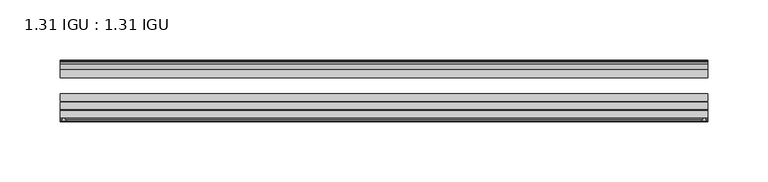
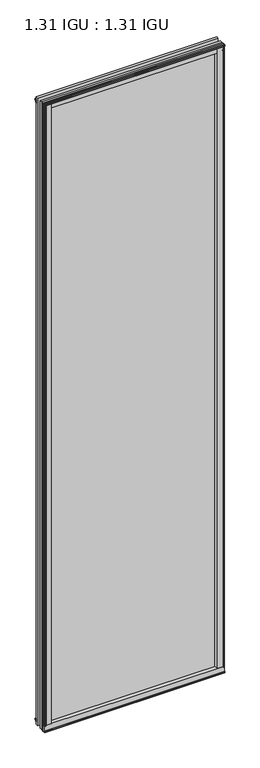
"""IFC4 building model written with IfcOpenShell, lengths in millimetres: plate geometry, 1.31 IGU : 1.31 IGU."""

import ifcopenshell
import ifcopenshell.guid

model = None  # the IFC model being written
_history = None  # IfcOwnerHistory: only IFC2X3 demands one
_inside = {}  # id of a spatial element -> (the spatial element, [elements in it])
_under = {}  # id of a project, library or spatial element -> (it, [spatial elements below it])
_declared = {}  # id of a project -> (the project, [libraries it declares])
_typed = {}  # id of a type object -> (the type object, [elements of that type])
_made_of = {}  # id of a material, layer set ... -> (it, [elements and type objects made of it])


def new_model(schema):
    """Start an empty IFC model of exactly this schema.

    Asked for "IFC4X3", IfcOpenShell would pick the latest addendum, in which some entities
    have other attributes; the version numbers below select the first issue.
    IFC2X3 requires an IfcOwnerHistory on every rooted entity: one is made here for all.
    """
    global model, _history
    if schema == "IFC4X3":
        model = ifcopenshell.file(schema_version=(4, 3, 0, 0))
    else:
        model = ifcopenshell.file(schema=schema)
    _inside.clear()
    _under.clear()
    _declared.clear()
    _typed.clear()
    _made_of.clear()
    _history = None
    if model.schema == "IFC2X3":
        org = make("IfcOrganization", Name="unknown")
        user = make(
            "IfcPersonAndOrganization",
            ThePerson=make("IfcPerson", FamilyName="unknown"),
            TheOrganization=org,
        )
        app = make(
            "IfcApplication",
            ApplicationDeveloper=org,
            Version="unknown",
            ApplicationFullName="unknown",
            ApplicationIdentifier="unknown",
        )
        _history = make(
            "IfcOwnerHistory",
            OwningUser=user,
            OwningApplication=app,
            ChangeAction="ADDED",
            CreationDate=0,
        )
    return model


def make(cls, **values):
    """One entity of the class cls with the attributes given. An attribute that is None is left unset."""
    return model.create_entity(
        cls, **{name: value for name, value in values.items() if value is not None}
    )


def rooted(cls, **values):
    """An entity with a GlobalId (a new one), such as an element, a storey or a relation."""
    return make(cls, GlobalId=ifcopenshell.guid.new(), OwnerHistory=_history, **values)


def si_unit(unit_type, name, prefix=None):
    """IfcSIUnit, for example si_unit("LENGTHUNIT", "METRE", prefix="MILLI")."""
    return make("IfcSIUnit", UnitType=unit_type, Prefix=prefix, Name=name)


def assignment(units):
    """IfcUnitAssignment: the units of a project."""
    return None if units is None else make("IfcUnitAssignment", Units=units)


def point(xyz):
    """IfcCartesianPoint."""
    return None if xyz is None else make("IfcCartesianPoint", Coordinates=xyz)


def direction(xyz):
    """IfcDirection."""
    return None if xyz is None else make("IfcDirection", DirectionRatios=xyz)


def frame(location, z_axis=None, x_axis=None):
    """IfcAxis2Placement3D, a coordinate frame: its origin and axes. An axis left out is left unset."""
    return make(
        "IfcAxis2Placement3D",
        Location=point(location),
        Axis=direction(z_axis),
        RefDirection=direction(x_axis),
    )


def frame_2d(location, x_axis=None):
    """IfcAxis2Placement2D, a coordinate frame in the plane: its origin and x axis."""
    return make(
        "IfcAxis2Placement2D", Location=point(location), RefDirection=direction(x_axis)
    )


def origin():
    """The frame at (0, 0, 0) with its axes left unset."""
    return frame((0.0, 0.0, 0.0))


def origin_with_axes():
    """The frame at (0, 0, 0) with the z axis (0, 0, 1) and the x axis (1, 0, 0) written out."""
    return frame((0.0, 0.0, 0.0), z_axis=(0.0, 0.0, 1.0), x_axis=(1.0, 0.0, 0.0))


def place(relative_to, where):
    """IfcLocalPlacement: puts the frame where relative to a parent placement (None: the world)."""
    return make(
        "IfcLocalPlacement", PlacementRelTo=relative_to, RelativePlacement=where
    )


def context(
    kind, dimensions, precision=None, world=None, true_north=None, identifier=None
):
    """IfcGeometricRepresentationContext, for example the 3D "Model" context."""
    return make(
        "IfcGeometricRepresentationContext",
        ContextIdentifier=identifier,
        ContextType=kind,
        CoordinateSpaceDimension=dimensions,
        Precision=precision,
        WorldCoordinateSystem=world,
        TrueNorth=true_north,
    )


def project(units=None, contexts=None):
    """IfcProject with its units and contexts."""
    return rooted(
        "IfcProject",
        Name="project",
        RepresentationContexts=contexts,
        UnitsInContext=assignment(units),
    )


def spatial(cls, under=None, at=None, **own):
    """A site, building, storey or space (cls), placed at a placement, below another one or the project."""
    s = rooted(cls, ObjectPlacement=at, **own)
    if under is not None:
        _under.setdefault(under.id(), (under, []))[1].append(s)
    return s


def polyline(points):
    """IfcPolyline through the points."""
    return make("IfcPolyline", Points=[point(p) for p in points])


def circle_curve(where, radius):
    """IfcCircle in the frame where."""
    return make("IfcCircle", Position=where, Radius=radius)


def trimmed(basis, trim1, trim2, sense, master):
    """IfcTrimmedCurve: the piece of a basis curve between two trims."""
    return make(
        "IfcTrimmedCurve",
        BasisCurve=basis,
        Trim1=trim1,
        Trim2=trim2,
        SenseAgreement=sense,
        MasterRepresentation=master,
    )


def segment(curve, same_sense, transition):
    """IfcCompositeCurveSegment."""
    return make(
        "IfcCompositeCurveSegment",
        Transition=transition,
        SameSense=same_sense,
        ParentCurve=curve,
    )


def composite_curve(segments, self_intersect=None):
    """IfcCompositeCurve: segments joined end to end."""
    return make("IfcCompositeCurve", Segments=segments, SelfIntersect=self_intersect)


def outline(outer, holes=None, kind="AREA"):
    """IfcArbitraryClosedProfileDef: a profile drawn as a closed curve; with holes, ...WithVoids."""
    if holes is None:
        return make("IfcArbitraryClosedProfileDef", ProfileType=kind, OuterCurve=outer)
    return make(
        "IfcArbitraryProfileDefWithVoids",
        ProfileType=kind,
        OuterCurve=outer,
        InnerCurves=holes,
    )


def extrude(swept, where, along, depth):
    """IfcExtrudedAreaSolid: the profile swept, set in the frame where, extruded along a direction by depth."""
    return make(
        "IfcExtrudedAreaSolid",
        SweptArea=swept,
        Position=where,
        ExtrudedDirection=direction(along),
        Depth=depth,
    )


def shape(context_of_items, identifier, shape_type, items):
    """IfcShapeRepresentation: the items that make up one representation, for example the "Body"."""
    return make(
        "IfcShapeRepresentation",
        ContextOfItems=context_of_items,
        RepresentationIdentifier=identifier,
        RepresentationType=shape_type,
        Items=items,
    )


def source(mapping_origin, context_of_items, identifier, shape_type, items):
    """IfcRepresentationMap: a shape defined once, which mapped items show again and again."""
    return make(
        "IfcRepresentationMap",
        MappingOrigin=mapping_origin,
        MappedRepresentation=shape(context_of_items, identifier, shape_type, items),
    )


def transform(
    local_origin,
    x_axis=None,
    y_axis=None,
    z_axis=None,
    scale=None,
    scale2=None,
    scale3=None,
    uniform=True,
):
    """IfcCartesianTransformationOperator3D, or its non-uniform kind. x_axis, y_axis, z_axis: its Axis1, 2, 3."""
    if uniform:
        return make(
            "IfcCartesianTransformationOperator3D",
            Axis1=direction(x_axis),
            Axis2=direction(y_axis),
            LocalOrigin=point(local_origin),
            Scale=scale,
            Axis3=direction(z_axis),
        )
    return make(
        "IfcCartesianTransformationOperator3DnonUniform",
        Axis1=direction(x_axis),
        Axis2=direction(y_axis),
        LocalOrigin=point(local_origin),
        Scale=scale,
        Axis3=direction(z_axis),
        Scale2=scale2,
        Scale3=scale3,
    )


def mapped(mapping_source, mapping_target):
    """IfcMappedItem: shows the shape of a source again, moved by a transform."""
    return make(
        "IfcMappedItem", MappingSource=mapping_source, MappingTarget=mapping_target
    )


def made_of(thing, what):
    """Note that an element or type object is made of a material, layer set ...; save() writes the relation."""
    if what is not None:
        _made_of.setdefault(what.id(), (what, []))[1].append(thing)
    return thing


def element(
    cls,
    number,
    at=None,
    inside=None,
    cuts=None,
    type_object=None,
    material=None,
    context=None,
    identifier="Body",
    shape_type=None,
    held_by="IfcProductDefinitionShape",
    body=None,
    shapes=None,
    **own,
):
    """One element of the class cls, such as IfcWall. Its Tag is "e" and its number.

    at: its placement. inside: the storey or other place that contains it. cuts: it is an
    opening in that element (IfcRelVoidsElement). A single representation is given by context,
    identifier, shape_type and body (its items); several are given by shapes. held_by: the class
    of the entity that holds the representations. save() writes the other relations.
    """
    e = rooted(cls, Tag="e%d" % number, ObjectPlacement=at, **own)
    if body is not None:
        shapes = [shape(context, identifier, shape_type, body)]
    if shapes is not None:
        e.Representation = make(held_by, Representations=shapes)
    if inside is not None:
        _inside.setdefault(inside.id(), (inside, []))[1].append(e)
    if cuts is not None:
        rooted(
            "IfcRelVoidsElement", RelatingBuildingElement=cuts, RelatedOpeningElement=e
        )
    if type_object is not None:
        _typed.setdefault(type_object.id(), (type_object, []))[1].append(e)
    return made_of(e, material)


def aggregate(whole, parts):
    """IfcRelAggregates: a whole, such as a stair, and the parts it consists of."""
    return rooted("IfcRelAggregates", RelatingObject=whole, RelatedObjects=parts)


def save(model, path):
    """Write the relations noted so far, then the file.

    IfcRelAggregates (storeys below a building ...), IfcRelContainedInSpatialStructure (elements
    in a storey), IfcRelDefinesByType, IfcRelAssociatesMaterial and IfcRelDeclares: one each for
    every whole, place, type object, material and project.
    """
    for whole, parts in _under.values():
        aggregate(whole, parts)
    for where, things in _inside.values():
        rooted(
            "IfcRelContainedInSpatialStructure",
            RelatedElements=things,
            RelatingStructure=where,
        )
    for kind, things in _typed.values():
        rooted("IfcRelDefinesByType", RelatedObjects=things, RelatingType=kind)
    for what, things in _made_of.values():
        rooted("IfcRelAssociatesMaterial", RelatedObjects=things, RelatingMaterial=what)
    for by, libraries in _declared.values():
        rooted("IfcRelDeclares", RelatingContext=by, RelatedDefinitions=libraries)
    model.write(path)


def plate_1_31_igu_1_31_igu_3a2b16da(model_context):
    return source(origin(), model_context, "Body", "SweptSolid", [
        extrude(outline(composite_curve([segment(polyline([(265.1087156, -57.6333938), (248.9239687, -57.6333938)]), True, "CONTINUOUS"), segment(trimmed(circle_curve(frame_2d((241.6292396, -57.6547678)), 7.2947605), [point((248.9239687, -57.6333938))], [point((245.1815801, -51.2833938))], True, "CARTESIAN"), True, "CONTINUOUS"), segment(polyline([(245.1815801, -51.2833938), (268.052001, -51.2833938)]), True, "CONTINUOUS"), segment(trimmed(circle_curve(frame_2d((268.052001, -52.0707938)), 0.7874), [point((268.052001, -51.2833938))], [point((268.8335319, -51.9748338))], False, "CARTESIAN"), True, "CONTINUOUS"), segment(polyline([(268.8335319, -51.9748338), (269.5283156, -57.6333938), (267.5979156, -57.6333938), (267.1407156, -59.624458), (268.1420775, -59.3561439), (268.3853156, -60.263921), (266.3533156, -60.8083938), (264.3213156, -60.263921), (264.5645538, -59.3561439), (265.5659156, -59.624458), (265.1087156, -57.6333938)]), True, "CONTINUOUS")], self_intersect=False)), origin_with_axes(), (0.0, 0.0, 1.0), 1962.15),
        extrude(outline(composite_curve([segment(polyline([(-249.221625, -57.6333937), (-265.4063719, -57.6333937), (-265.8635719, -59.624458), (-264.86221, -59.3561439), (-264.6189719, -60.263921), (-266.6509719, -60.8083937), (-268.6829719, -60.263921), (-268.4397338, -59.3561439), (-267.4383719, -59.624458), (-267.8955719, -57.6333937), (-269.8259719, -57.6333937), (-269.1311881, -51.9748338)]), True, "CONTINUOUS"), segment(trimmed(circle_curve(frame_2d((-268.3496573, -52.0707937)), 0.7874), [point((-269.1311881, -51.9748338))], [point((-268.3496573, -51.2833937))], False, "CARTESIAN"), True, "CONTINUOUS"), segment(polyline([(-268.3496573, -51.2833937), (-245.4792364, -51.2833937)]), True, "CONTINUOUS"), segment(trimmed(circle_curve(frame_2d((-241.9268958, -57.6547678)), 7.2947605), [point((-245.4792364, -51.2833937))], [point((-249.221625, -57.6333937))], True, "CARTESIAN"), True, "CONTINUOUS")], self_intersect=False)), origin_with_axes(), (0.0, 0.0, 1.0), 1962.15),
        extrude(outline(polyline([(-9.7543937, -6.8579998), (-10.4009552, -9.2709998), (-11.2596632, -9.0409097), (-10.8839895, -7.6388763), (-13.1833937, -8.3819998), (-13.1833937, -11.7850089), (-17.9585937, -10.1533914), (-17.9585937, 0.6595133), (-13.1833937, -0.5079998), (-13.1833937, -5.4609998), (-10.8839895, -6.0771233), (-11.2596632, -4.6750899), (-10.4009552, -4.4449998), (-9.7543937, -6.8579998)])), frame((-269.859125, 0.0, 0.0), z_axis=(1.0, 0.0, 0.0), x_axis=(0.0, 1.0, 0.0)), (0.0, 0.0, 1.0), 539.4205937),
        extrude(outline(composite_curve([segment(polyline([(-51.9748338, -19.930016), (-57.6333937, -20.6247998), (-57.6333937, -18.6943998), (-59.624458, -18.2371998), (-59.3561439, -19.2385617), (-60.263921, -19.4817998), (-60.8083937, -17.4497998), (-60.263921, -15.4177998), (-59.3561439, -15.6610379), (-59.624458, -16.6623998), (-57.6333937, -16.2051998), (-57.6333937, 0.0127002)]), True, "CONTINUOUS"), segment(trimmed(circle_curve(frame_2d((-58.1588233, 7.9620141)), 7.9666598), [point((-57.6333937, 0.0127002))], [point((-51.2833937, 3.9375717))], True, "CARTESIAN"), True, "CONTINUOUS"), segment(polyline([(-51.2833937, 3.9375717), (-51.2833937, -19.1484852)]), True, "CONTINUOUS"), segment(trimmed(circle_curve(frame_2d((-52.0707937, -19.1484852)), 0.7874), [point((-51.2833937, -19.1484852))], [point((-51.9748338, -19.930016))], False, "CARTESIAN"), True, "CONTINUOUS")], self_intersect=False)), frame((-269.859125, 0.0, 0.0), z_axis=(1.0, 0.0, 0.0), x_axis=(0.0, 1.0, 0.0)), (0.0, 0.0, 1.0), 539.4205937),
        extrude(outline(polyline([(-17.9585937, 1953.2533914), (-13.1833937, 1954.8850089), (-13.1833937, 1951.4819998), (-10.8839895, 1950.7388763), (-11.2596632, 1952.1409097), (-10.4009552, 1952.3709998), (-9.7543937, 1949.9579998), (-10.4009552, 1947.5449998), (-11.2596632, 1947.7750899), (-10.8839895, 1949.1771233), (-13.1833937, 1948.5609998), (-13.1833937, 1943.6079998), (-17.9585937, 1942.4404867), (-17.9585937, 1953.2533914)])), frame((-269.859125, 0.0, 0.0), z_axis=(1.0, 0.0, 0.0), x_axis=(0.0, 1.0, 0.0)), (0.0, 0.0, 1.0), 539.4205937),
        extrude(outline(composite_curve([segment(trimmed(circle_curve(frame_2d((-52.0707937, 1962.2484852)), 0.7874), [point((-51.9748338, 1963.030016))], [point((-51.2833937, 1962.2484852))], False, "CARTESIAN"), True, "CONTINUOUS"), segment(polyline([(-51.2833937, 1962.2484852), (-51.2833937, 1939.1624283)]), True, "CONTINUOUS"), segment(trimmed(circle_curve(frame_2d((-58.1588233, 1935.1379859)), 7.9666598), [point((-51.2833937, 1939.1624283))], [point((-57.6333937, 1943.0872998))], True, "CARTESIAN"), True, "CONTINUOUS"), segment(polyline([(-57.6333937, 1943.0872998), (-57.6333937, 1959.3051998), (-59.624458, 1959.7623998), (-59.3561439, 1958.7610379), (-60.263921, 1958.5177998), (-60.8083937, 1960.5497998), (-60.263921, 1962.5817998), (-59.3561439, 1962.3385617), (-59.624458, 1961.3371998), (-57.6333937, 1961.7943998), (-57.6333937, 1963.7247998), (-51.9748338, 1963.030016)]), True, "CONTINUOUS")], self_intersect=False)), frame((-269.859125, 0.0, 0.0), z_axis=(1.0, 0.0, 0.0), x_axis=(0.0, 1.0, 0.0)), (0.0, 0.0, 1.0), 539.4205937),
        extrude(outline(polyline([(-258.4480013, -10.8839895), (-259.8500347, -11.2596632), (-260.0801248, -10.4009552), (-257.6671248, -9.7543937), (-255.2541248, -10.4009552), (-255.4842149, -11.2596632), (-256.8862483, -10.8839895), (-256.2701248, -13.1833937), (-251.3171248, -13.1833937), (-250.1496117, -17.9585937), (-260.9625164, -17.9585937), (-262.5941339, -13.1833937), (-259.1911248, -13.1833937), (-258.4480013, -10.8839895)])), origin_with_axes(), (0.0, 0.0, 1.0), 1943.1),
        extrude(outline(polyline([(258.4607015, -10.8839895), (259.203825, -13.1833937), (262.6068341, -13.1833937), (260.9752166, -17.9585937), (250.1623119, -17.9585937), (251.329825, -13.1833937), (256.282825, -13.1833937), (256.8989485, -10.8839895), (255.4969151, -11.2596632), (255.266825, -10.4009552), (257.679825, -9.7543937), (260.092825, -10.4009552), (259.8627349, -11.2596632), (258.4607015, -10.8839895)])), origin_with_axes(), (0.0, 0.0, 1.0), 1943.1),
        extrude(outline(polyline([(269.5614687, -17.9585937), (269.5614687, -24.3085937), (-269.859125, -24.3085937), (-269.859125, -17.9585937), (269.5614687, -17.9585937)])), frame((0.0, 0.0, -19.0372998), z_axis=(0.0, 0.0, 1.0), x_axis=(1.0, 0.0, 0.0)), (0.0, 0.0, 1.0), 1981.1872998),
        extrude(outline(polyline([(-269.859125, -44.1459937), (-269.859125, -37.7959937), (269.5614687, -37.7959937), (269.5614687, -44.1459937), (-269.859125, -44.1459937)])), frame((0.0, 0.0, -19.0372998), z_axis=(0.0, 0.0, 1.0), x_axis=(1.0, 0.0, 0.0)), (0.0, 0.0, 1.0), 1981.1872998),
        extrude(outline(polyline([(-269.859125, -51.2833937), (-269.859125, -44.9333937), (269.5614687, -44.9333937), (269.5614687, -51.2833937), (-269.859125, -51.2833937)])), frame((0.0, 0.0, -19.0372998), z_axis=(0.0, 0.0, 1.0), x_axis=(1.0, 0.0, 0.0)), (0.0, 0.0, 1.0), 1981.1872998),
    ])


if __name__ == "__main__":
    model = new_model("IFC4")
    model_context = context("Model", 3, world=origin())
    ifc_project = project(units=[si_unit("LENGTHUNIT", "METRE", prefix="MILLI")], contexts=[model_context])
    site = spatial("IfcSite", under=ifc_project)
    building = spatial("IfcBuilding", under=site)
    placement = place(None, origin())
    plate_1_31_igu_1_31_igu_shape = plate_1_31_igu_1_31_igu_3a2b16da(model_context)
    element("IfcPlate", 1, ObjectType="1.31 IGU : 1.31 IGU", at=placement, inside=building, context=model_context, shape_type="MappedRepresentation", body=[
        mapped(plate_1_31_igu_1_31_igu_shape, transform((0.0, 0.0, 0.0), x_axis=(1.0, 0.0, 0.0), y_axis=(0.0, 1.0, 0.0), z_axis=(0.0, 0.0, 1.0))),
    ])
    save(model, "model.ifc")
